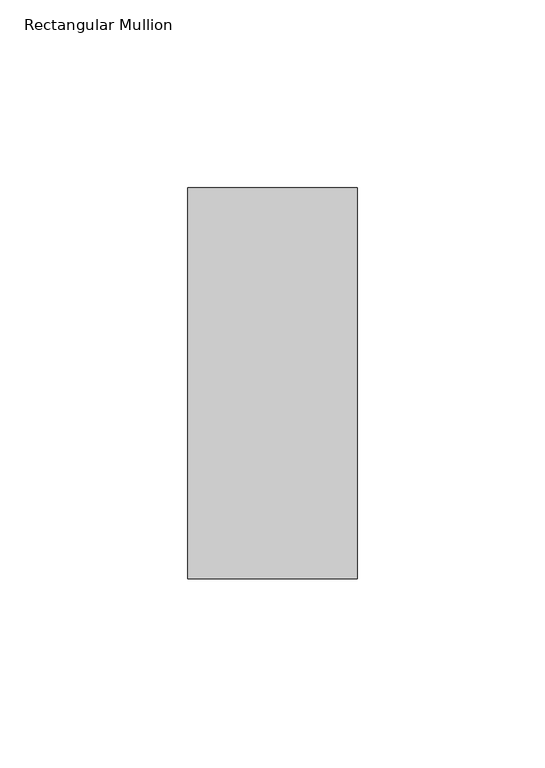
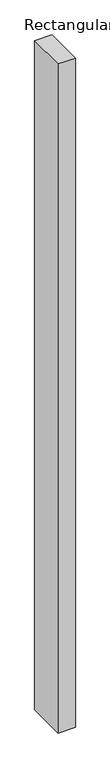
"""IFC4 building model written with IfcOpenShell, lengths in millimetres: member geometry, Rectangular Mullion."""

from ifc_helpers import new_model, si_unit, frame, origin, place, context, project, spatial, polyline, outline, extrude, source, transform, mapped, element, save


def rectangular_mullion_63004dee(model_context):
    return source(origin(), model_context, "Body", "SweptSolid", [
        extrude(outline(polyline([(0.0, 67.525), (0.0, -36.525), (-45.0, -36.525), (-45.0, 67.525), (0.0, 67.525)])), frame((0.0, 0.0, -1828.8), z_axis=(0.0, 0.0, 1.0), x_axis=(1.0, 0.0, 0.0)), (0.0, 0.0, 1.0), 1828.8),
    ])


if __name__ == "__main__":
    model = new_model("IFC4")
    model_context = context("Model", 3, world=origin())
    ifc_project = project(units=[si_unit("LENGTHUNIT", "METRE", prefix="MILLI")], contexts=[model_context])
    site = spatial("IfcSite", under=ifc_project)
    building = spatial("IfcBuilding", under=site)
    placement = place(None, origin())
    rectangular_mullion_shape = rectangular_mullion_63004dee(model_context)
    element("IfcMember", 1, ObjectType="Rectangular Mullion", at=placement, inside=building, context=model_context, shape_type="MappedRepresentation", body=[
        mapped(rectangular_mullion_shape, transform((0.0, 0.0, 0.0), x_axis=(1.0, 0.0, 0.0), y_axis=(0.0, 1.0, 0.0), z_axis=(0.0, 0.0, 1.0))),
    ])
    save(model, "model.ifc")
